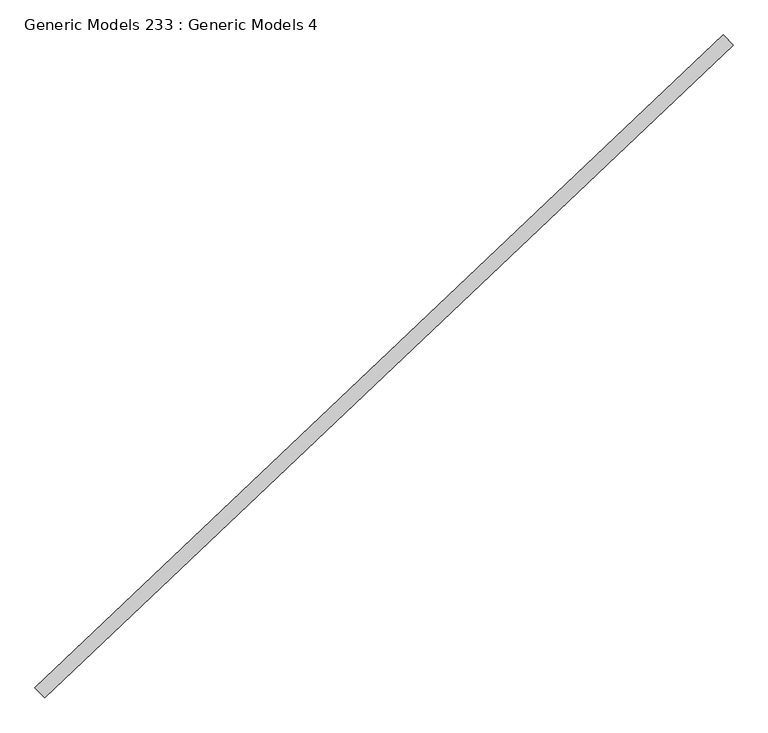
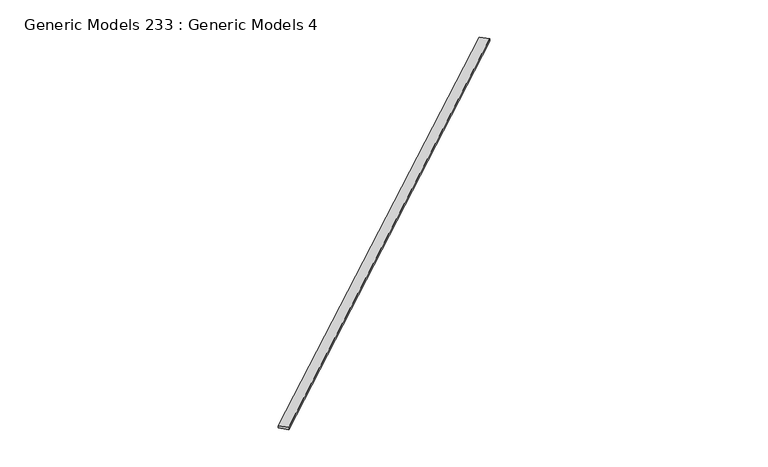
"""IFC4 building model written with IfcOpenShell, lengths in millimetres: proxy geometry, Generic Models 233 : Generic Models 4."""

from ifc_helpers import new_model, si_unit, origin, place, context, project, spatial, faceted_brep, source, transform, mapped, element, save


def generic_models_233_generic_models_4_7a160df5(model_context):
    return source(origin(), model_context, "Body", "Brep", [
        faceted_brep([(103193.4660831, 41004.6723895, 17847.9394961), (103097.3029488, 41106.0071891, 17847.9394961), (103097.3029488, 41106.0071891, 17809.8394961), (103193.4660831, 41004.6723895, 17809.8394961), (109895.3812404, 47364.5524029, 17847.9394961), (109895.3812404, 47364.5524029, 17809.8394961), (109799.2181062, 47465.8872026, 17809.8394961), (109799.2181062, 47465.8872026, 17847.9394961), (103237.7898301, 41239.3242615, 17809.8394961)], [[[0, 1, 2, 3]], [[4, 5, 6, 7]], [[0, 3, 5, 4]], [[3, 2, 8, 6, 5]], [[2, 1, 7, 6, 8]], [[1, 0, 4, 7]]]),
    ])


if __name__ == "__main__":
    model = new_model("IFC4")
    model_context = context("Model", 3, world=origin())
    ifc_project = project(units=[si_unit("LENGTHUNIT", "METRE", prefix="MILLI")], contexts=[model_context])
    site = spatial("IfcSite", under=ifc_project)
    building = spatial("IfcBuilding", under=site)
    placement = place(None, origin())
    generic_models_233_generic_models_4_shape = generic_models_233_generic_models_4_7a160df5(model_context)
    element("IfcBuildingElementProxy", 1, Name="Generic Models 233 : Generic Models 4", ObjectType="Generic Models 233 : Generic Models 4", at=placement, inside=building, context=model_context, shape_type="MappedRepresentation", body=[
        mapped(generic_models_233_generic_models_4_shape, transform((0.0, 0.0, 0.0), x_axis=(1.0, 0.0, 0.0), y_axis=(0.0, 1.0, 0.0), z_axis=(0.0, 0.0, 1.0))),
    ])
    save(model, "model.ifc")
